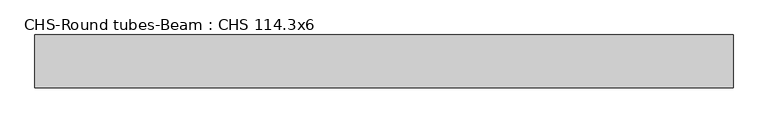
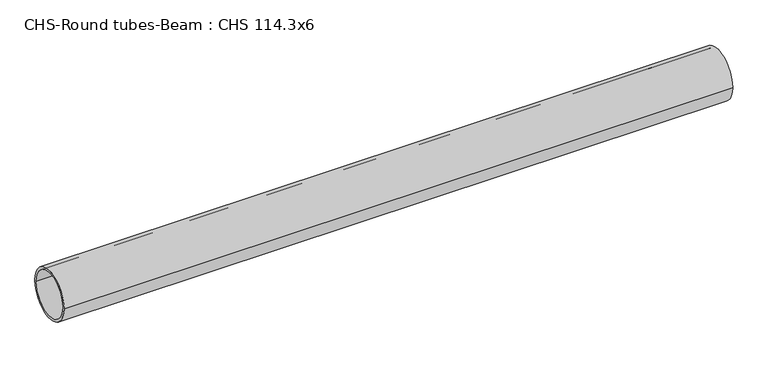
"""IFC4 building model written with IfcOpenShell, lengths in millimetres: beam geometry, CHS-Round tubes-Beam : CHS 114.3x6."""

from ifc_helpers import new_model, si_unit, point, frame, origin, origin_2d, place, context, project, spatial, circle_curve, trimmed, segment, composite_curve, outline, extrude, source, transform, mapped, element, save


def chs_round_tubes_beam_chs_114_3x6_85da22aa(model_context):
    return source(origin(), model_context, "Body", "SweptSolid", [
        extrude(outline(composite_curve([segment(trimmed(circle_curve(origin_2d(), 57.15), [point((57.15, 0.0))], [point((-57.15, 0.0))], False, "CARTESIAN"), True, "CONTINUOUS"), segment(trimmed(circle_curve(origin_2d(), 57.15), [point((-57.15, 0.0))], [point((57.15, 0.0))], False, "CARTESIAN"), True, "CONTINUOUS")], self_intersect=False), holes=[composite_curve([segment(trimmed(circle_curve(origin_2d(), 51.15), [point((51.15, 0.0))], [point((-51.15, 0.0))], True, "CARTESIAN"), True, "CONTINUOUS"), segment(trimmed(circle_curve(origin_2d(), 51.15), [point((-51.15, 0.0))], [point((51.15, 0.0))], True, "CARTESIAN"), True, "CONTINUOUS")], self_intersect=False)]), frame((-735.9086767, 0.0, 0.0), z_axis=(1.0, 0.0, 0.0), x_axis=(0.0, 1.0, 0.0)), (0.0, 0.0, 1.0), 1514.8960639),
    ])


if __name__ == "__main__":
    model = new_model("IFC4")
    model_context = context("Model", 3, world=origin())
    ifc_project = project(units=[si_unit("LENGTHUNIT", "METRE", prefix="MILLI")], contexts=[model_context])
    site = spatial("IfcSite", under=ifc_project)
    building = spatial("IfcBuilding", under=site)
    placement = place(None, origin())
    chs_round_tubes_beam_chs_114_3x6_shape = chs_round_tubes_beam_chs_114_3x6_85da22aa(model_context)
    element("IfcBeam", 1, ObjectType="CHS-Round tubes-Beam : CHS 114.3x6", at=placement, inside=building, context=model_context, shape_type="MappedRepresentation", body=[
        mapped(chs_round_tubes_beam_chs_114_3x6_shape, transform((0.0, 0.0, 0.0), x_axis=(1.0, 0.0, 0.0), y_axis=(0.0, 1.0, 0.0), z_axis=(0.0, 0.0, 1.0))),
    ])
    save(model, "model.ifc")
